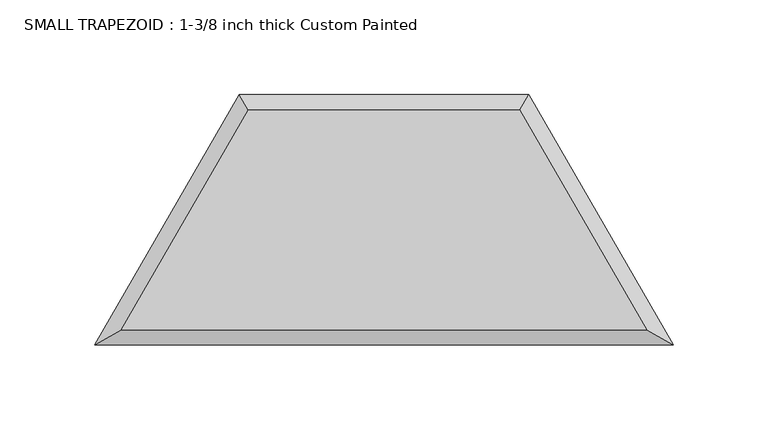
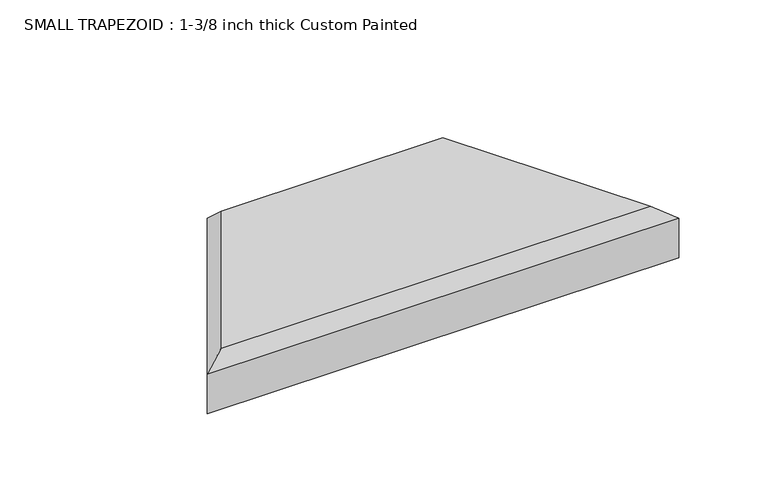
"""IFC4 building model written with IfcOpenShell, lengths in millimetres: proxy geometry, SMALL TRAPEZOID : 1-3/8 inch thick Custom Painted."""

from ifc_helpers import new_model, si_unit, origin, place, context, project, spatial, faceted_brep, source, transform, mapped, element, save


def small_trapezoid_1_3_8_inch_thick_custom_painted_18ac8fa7(model_context):
    return source(origin(), model_context, "Body", "Brep", [
        faceted_brep([(138.5418615, 8.001, 34.925), (71.5806205, 123.9812715, 34.925), (-71.5806205, 123.9812715, 34.925), (-138.5418615, 8.001, 34.925), (76.2, 131.9822715, 0.0), (152.4, 0.0, 0.0), (-152.4, 0.0, 0.0), (-76.2, 131.9822715, 0.0), (-76.2, 131.9822715, 26.924), (76.2, 131.9822715, 26.924), (-152.4, 0.0, 26.924), (152.4, 0.0, 26.924)], [[[0, 1, 2, 3]], [[4, 5, 6, 7]], [[4, 7, 8, 9]], [[7, 6, 10, 8]], [[5, 4, 9, 11]], [[9, 1, 0, 11]], [[1, 9, 8, 2]], [[2, 8, 10, 3]], [[6, 5, 11, 10]], [[11, 0, 3, 10]]]),
    ])


if __name__ == "__main__":
    model = new_model("IFC4")
    model_context = context("Model", 3, world=origin())
    ifc_project = project(units=[si_unit("LENGTHUNIT", "METRE", prefix="MILLI")], contexts=[model_context])
    site = spatial("IfcSite", under=ifc_project)
    building = spatial("IfcBuilding", under=site)
    placement = place(None, origin())
    small_trapezoid_1_3_8_inch_thick_custom_painted_shape = small_trapezoid_1_3_8_inch_thick_custom_painted_18ac8fa7(model_context)
    element("IfcBuildingElementProxy", 1, Name="SMALL TRAPEZOID : 1-3/8 inch thick Custom Painted", ObjectType="SMALL TRAPEZOID : 1-3/8 inch thick Custom Painted", at=placement, inside=building, context=model_context, shape_type="MappedRepresentation", body=[
        mapped(small_trapezoid_1_3_8_inch_thick_custom_painted_shape, transform((0.0, 0.0, 0.0), x_axis=(1.0, 0.0, 0.0), y_axis=(0.0, 1.0, 0.0), z_axis=(0.0, 0.0, 1.0))),
    ])
    save(model, "model.ifc")
